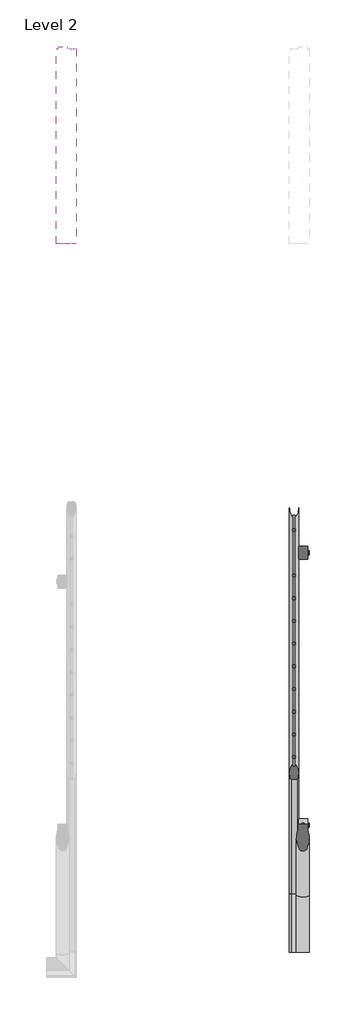
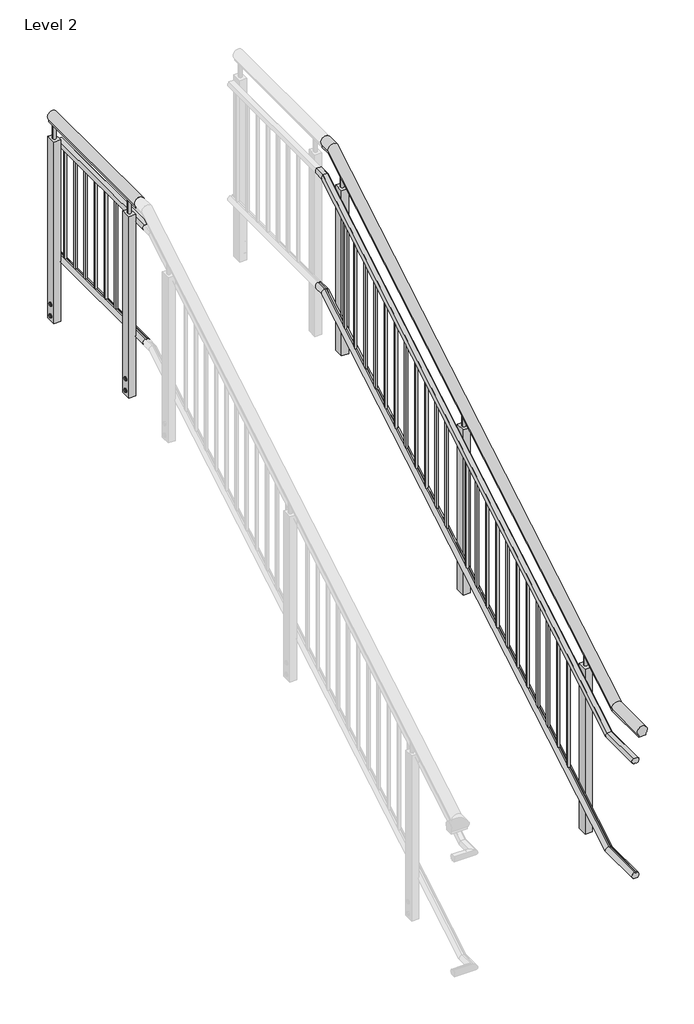
# One storey, part 6 of 7: 2 railings.
"""IFC4 building model written with IfcOpenShell, lengths in millimetres."""

from ifc_helpers import new_model, si_unit, point, frame, frame_2d, origin, place, context, project, spatial, polyline, circle_curve, ellipse_curve, trimmed, segment, composite_curve, outline, extrude, element, save
from ifc_brep_helpers import plane_surface, cylinder_surface, advanced_brep

model = new_model("IFC4")

# Units and contexts
model_context = context("Model", 3, world=origin())
ifc_project = project(units=[si_unit("LENGTHUNIT", "METRE", prefix="MILLI")], contexts=[model_context])

# Site, building, storey
site = spatial("IfcSite", under=ifc_project)
building = spatial("IfcBuilding", under=site)
storey = spatial("IfcBuildingStorey", under=building, Name="Level 2", Elevation=4000.0)

# Railings
placement = place(None, origin())
element("IfcRailing", 1, ObjectType="MT_Common stair with Balustrade_Level 3_Left", at=placement, inside=storey, context=model_context, shape_type="SolidModel", body=[
    advanced_brep(
    [(-7572.7617574, -4818.2332568, 5032.4599864), (-7614.4617574, -4818.2332568, 5032.4599864), (-7614.4617574, -4818.2332568, 5019.6542542), (-7572.7617574, -4818.2332568, 5019.6542542), (-7572.7617574, -4562.3792563, 5032.4599864), (-7614.4617574, -4562.3792563, 5032.4599864), (-7614.4617574, -4558.8717811, 5019.6542542), (-7572.7617574, -4558.8717811, 5019.6542542), (-7572.7617574, -1698.2332568, 6690.8057322), (-7572.7617574, -1698.2332568, 6678.0), (-7614.4617574, -1698.2332568, 6678.0), (-7614.4617574, -1698.2332568, 6690.8057322), (-7614.4617574, -1762.192754, 6690.8057322), (-7572.7617574, -1762.192754, 6690.8057322), (-7614.4617574, -1758.6852788, 6678.0), (-7572.7617574, -1758.6852788, 6678.0)],
    [
        (0, 1, circle_curve(frame((-7593.6117574, -4818.2332568, 5051.6542542), z_axis=(0.0, -1.0, 0.0), x_axis=(-1.0, 0.0, 0.0)), 28.3397674)),
        (1, 2),
        (2, 3),
        (3, 0),
        (0, 4),
        (4, 5, ellipse_curve(frame((-7593.6117574, -4567.6365441, 5051.6542542), z_axis=(0.0, -0.9644764138034779, -0.2641689747430274), x_axis=(0.0, -0.2641689747430278, 0.9644764138034778)), 29.3835775, 28.3397674)),
        (5, 1),
        (5, 6),
        (6, 2),
        (6, 7),
        (7, 3),
        (7, 4),
        (8, 9),
        (9, 10),
        (10, 11),
        (11, 8, circle_curve(frame((-7593.6117574, -1698.2332568, 6710.0), z_axis=(0.0, 1.0, 0.0), x_axis=(-1.0, 0.0, 0.0)), 28.3397674)),
        (12, 13, ellipse_curve(frame((-7593.6117574, -1767.4500418, 6710.0), z_axis=(0.0, 0.9644764138034779, 0.2641689747430274), x_axis=(0.0, -0.2641689747430278, 0.9644764138034778)), 29.3835775, 28.3397674)),
        (13, 8),
        (11, 12),
        (14, 12),
        (10, 14),
        (15, 14),
        (9, 15),
        (13, 15),
        (4, 13),
        (12, 5),
        (14, 6),
        (15, 7),
    ],
    [
        plane_surface(frame((-7593.6117574, -4818.2332568, 5019.6542542), z_axis=(0.0, -1.0, 0.0), x_axis=(0.0, 0.0, 1.0))),
        cylinder_surface(frame((-7593.6117574, -4818.2332568, 5051.6542542), z_axis=(0.0, -1.0, 0.0), x_axis=(-1.0, 0.0, 0.0)), 28.3397674),
        plane_surface(frame((-7614.4617574, -4818.2332568, 5032.4599864), z_axis=(-1.0, 0.0, 0.0), x_axis=(0.0, 1.0, 0.0))),
        plane_surface(frame((-7614.4617574, -4818.2332568, 5019.6542542), z_axis=(0.0, 0.0, -1.0), x_axis=(0.0, 1.0, 0.0))),
        plane_surface(frame((-7572.7617574, -4818.2332568, 5019.6542542), z_axis=(1.0, 0.0, 0.0), x_axis=(0.0, 1.0, 0.0))),
        plane_surface(frame((-7593.6117574, -1698.2332568, 6678.0), z_axis=(0.0, 1.0, 0.0), x_axis=(0.0, 0.0, 1.0))),
        cylinder_surface(frame((-7593.6117574, -1758.6852788, 6710.0), z_axis=(0.0, -1.0, 0.0), x_axis=(-1.0, 0.0, 0.0)), 28.3397674),
        plane_surface(frame((-7614.4617574, -1762.192754, 6690.8057322), z_axis=(-1.0, 0.0, 0.0), x_axis=(0.0, 1.0, 0.0))),
        plane_surface(frame((-7614.4617574, -1758.6852788, 6678.0), z_axis=(0.0, 0.0, -1.0), x_axis=(0.0, 1.0, 0.0))),
        plane_surface(frame((-7572.7617574, -1758.6852788, 6678.0), z_axis=(1.0, 0.0, 0.0), x_axis=(0.0, 1.0, 0.0))),
        cylinder_surface(frame((-7593.6117574, -4575.1780048, 5047.1879984), z_axis=(0.0, -0.8604295055664355, -0.5095694907965933), x_axis=(-1.0, 0.0, 0.0)), 28.3397674),
        plane_surface(frame((-7614.4617574, -4562.3792563, 5032.4599864), z_axis=(-1.0, 0.0, 0.0), x_axis=(0.0, 0.8604295055664356, 0.5095694907965932))),
        plane_surface(frame((-7614.4617574, -4558.8717811, 5019.6542542), z_axis=(0.0, 0.5095694907965932, -0.8604295055664356), x_axis=(0.0, 0.8604295055664356, 0.5095694907965932))),
        plane_surface(frame((-7572.7617574, -4558.8717811, 5019.6542542), z_axis=(1.0, 0.0, 0.0), x_axis=(0.0, 0.8604295055664356, 0.5095694907965932))),
    ],
    [
        (0, [[1, 2, 3, 4]]),
        (1, [[-1, 5, 6, 7]]),
        (2, [[-2, -7, 8, 9]]),
        (3, [[-3, -9, 10, 11]]),
        (4, [[-4, -11, 12, -5]]),
        (5, [[13, 14, 15, 16]]),
        (6, [[17, 18, -16, 19]]),
        (7, [[20, -19, -15, 21]]),
        (8, [[22, -21, -14, 23]]),
        (9, [[24, -23, -13, -18]]),
        (10, [[-6, 25, -17, 26]]),
        (11, [[-8, -26, -20, 27]]),
        (12, [[-10, -27, -22, 28]]),
        (13, [[-12, -28, -24, -25]]),
    ],
),
    advanced_brep(
    [(-7638.8279022, -1698.2332568, 6525.9454038), (-7645.9802814, -1698.2332568, 6560.0), (-7619.5227683, -1698.2332568, 6560.0), (-7627.2453076, -1698.2332568, 6525.7728949), (-7627.2453076, -1698.2332568, 6530.0), (-7638.8279022, -1698.2332568, 6530.0), (-7638.8279022, -1753.4662469, 6525.9454038), (-7645.9802814, -1762.7937614, 6560.0), (-7619.5227683, -1762.7937614, 6560.0), (-7627.2453076, -1753.4189969, 6525.7728949), (-7627.2453076, -1754.5767961, 6530.0), (-7638.8279022, -1754.5767961, 6530.0), (-7638.8279022, -4818.2332568, 4867.599658), (-7638.8279022, -4818.2332568, 4871.6542542), (-7627.2453076, -4818.2332568, 4871.6542542), (-7627.2453076, -4818.2332568, 4867.4271491), (-7619.5227683, -4818.2332568, 4901.6542542), (-7645.9802814, -4818.2332568, 4901.6542542), (-7638.8279022, -4553.6527492, 4867.599658), (-7638.8279022, -4554.7632984, 4871.6542542), (-7627.2453076, -4554.7632984, 4871.6542542), (-7627.2453076, -4553.6054992, 4867.4271491), (-7619.5227683, -4562.9802637, 4901.6542542), (-7645.9802814, -4562.9802637, 4901.6542542)],
    [
        (0, 1, circle_curve(frame((-7632.7515248, -1698.2332568, 6545.0), z_axis=(0.0, 1.0, 0.0), x_axis=(0.0, 0.0, 1.0)), 20.0)),
        (1, 2),
        (2, 3, circle_curve(frame((-7632.7515248, -1698.2332568, 6545.0), z_axis=(0.0, 1.0, 0.0), x_axis=(0.0, 0.0, 1.0)), 20.0)),
        (3, 4),
        (4, 5),
        (5, 0),
        (6, 7, ellipse_curve(frame((-7632.7515248, -1758.6852788, 6545.0), z_axis=(0.0, 0.9644764138034779, 0.26416897474302736), x_axis=(0.0, -0.26416897474302786, 0.9644764138034778)), 20.7366398, 20.0)),
        (7, 1),
        (0, 6),
        (7, 8),
        (8, 2),
        (8, 9, ellipse_curve(frame((-7632.7515248, -1758.6852788, 6545.0), z_axis=(0.0, 0.9644764138034779, 0.26416897474302736), x_axis=(0.0, -0.26416897474302786, 0.9644764138034778)), 20.7366398, 20.0)),
        (9, 3),
        (9, 10),
        (10, 4),
        (10, 11),
        (11, 5),
        (11, 6),
        (12, 13),
        (13, 14),
        (14, 15),
        (15, 16, circle_curve(frame((-7632.7515248, -4818.2332568, 4886.6542542), z_axis=(0.0, -1.0, 0.0), x_axis=(0.0, 0.0, 1.0)), 20.0)),
        (16, 17),
        (17, 12, circle_curve(frame((-7632.7515248, -4818.2332568, 4886.6542542), z_axis=(0.0, -1.0, 0.0), x_axis=(0.0, 0.0, 1.0)), 20.0)),
        (12, 18),
        (18, 19),
        (19, 13),
        (19, 20),
        (20, 14),
        (20, 21),
        (21, 15),
        (21, 22, ellipse_curve(frame((-7632.7515248, -4558.8717811, 4886.6542542), z_axis=(0.0, -0.9644764138034779, -0.26416897474302736), x_axis=(0.0, -0.26416897474302786, 0.9644764138034778)), 20.7366398, 20.0)),
        (22, 16),
        (22, 23),
        (23, 17),
        (23, 18, ellipse_curve(frame((-7632.7515248, -4558.8717811, 4886.6542542), z_axis=(0.0, -0.9644764138034779, -0.26416897474302736), x_axis=(0.0, -0.26416897474302786, 0.9644764138034778)), 20.7366398, 20.0)),
        (18, 6),
        (11, 19),
        (10, 20),
        (9, 21),
        (8, 22),
        (7, 23),
    ],
    [
        plane_surface(frame((-7632.7515248, -1698.2332568, 6545.0), z_axis=(0.0, 1.0, 0.0), x_axis=(0.0, 0.0, 1.0))),
        cylinder_surface(frame((-7632.7515248, -1758.6852788, 6545.0), z_axis=(0.0, -1.0, 0.0), x_axis=(0.0, 0.0, 1.0)), 20.0),
        plane_surface(frame((-7619.5227683, -1762.7937614, 6560.0), z_axis=(0.0, 0.0, 1.0), x_axis=(0.0, 1.0, 0.0))),
        plane_surface(frame((-7627.2453076, -1754.5767961, 6530.0), z_axis=(-1.0, 0.0, 0.0), x_axis=(0.0, 1.0, 0.0))),
        plane_surface(frame((-7638.8279022, -1754.5767961, 6530.0), z_axis=(0.0, 0.0, -1.0), x_axis=(0.0, 1.0, 0.0))),
        plane_surface(frame((-7638.8279022, -1753.4662469, 6525.9454038), z_axis=(1.0, 0.0, 0.0), x_axis=(0.0, 1.0, 0.0))),
        plane_surface(frame((-7632.7515248, -4818.2332568, 4886.6542542), z_axis=(0.0, -1.0, 0.0), x_axis=(0.0, 0.0, 1.0))),
        plane_surface(frame((-7638.8279022, -4818.2332568, 4867.599658), z_axis=(1.0, 0.0, 0.0), x_axis=(0.0, 1.0, 0.0))),
        plane_surface(frame((-7638.8279022, -4818.2332568, 4871.6542542), z_axis=(0.0, 0.0, -1.0), x_axis=(0.0, 1.0, 0.0))),
        plane_surface(frame((-7627.2453076, -4818.2332568, 4871.6542542), z_axis=(-1.0, 0.0, 0.0), x_axis=(0.0, 1.0, 0.0))),
        cylinder_surface(frame((-7632.7515248, -4818.2332568, 4886.6542542), z_axis=(0.0, -1.0, 0.0), x_axis=(0.0, 0.0, 1.0)), 20.0),
        plane_surface(frame((-7619.5227683, -4818.2332568, 4901.6542542), z_axis=(0.0, 0.0, 1.0), x_axis=(0.0, 1.0, 0.0))),
        plane_surface(frame((-7638.8279022, -4553.6527492, 4867.599658), z_axis=(1.0, 0.0, 0.0), x_axis=(0.0, 0.8604295055664356, 0.5095694907965932))),
        plane_surface(frame((-7638.8279022, -4554.7632984, 4871.6542542), z_axis=(0.0, 0.5095694907965932, -0.8604295055664356), x_axis=(0.0, 0.8604295055664356, 0.5095694907965932))),
        plane_surface(frame((-7627.2453076, -4554.7632984, 4871.6542542), z_axis=(-1.0, 0.0, 0.0), x_axis=(0.0, 0.8604295055664356, 0.5095694907965932))),
        cylinder_surface(frame((-7632.7515248, -4558.8717811, 4886.6542542), z_axis=(0.0, -0.8604295055664356, -0.5095694907965933), x_axis=(0.0, -0.5095694907965933, 0.8604295055664356)), 20.0),
        plane_surface(frame((-7619.5227683, -4562.9802637, 4901.6542542), z_axis=(0.0, -0.5095694907965932, 0.8604295055664356), x_axis=(0.0, 0.8604295055664356, 0.5095694907965932))),
    ],
    [
        (0, [[1, 2, 3, 4, 5, 6]]),
        (1, [[7, 8, -1, 9]]),
        (2, [[10, 11, -2, -8]]),
        (1, [[12, 13, -3, -11]]),
        (3, [[14, 15, -4, -13]]),
        (4, [[16, 17, -5, -15]]),
        (5, [[18, -9, -6, -17]]),
        (6, [[19, 20, 21, 22, 23, 24]]),
        (7, [[-19, 25, 26, 27]]),
        (8, [[-20, -27, 28, 29]]),
        (9, [[-21, -29, 30, 31]]),
        (10, [[-22, -31, 32, 33]]),
        (11, [[-23, -33, 34, 35]]),
        (10, [[-24, -35, 36, -25]]),
        (12, [[-26, 37, -18, 38]]),
        (13, [[-28, -38, -16, 39]]),
        (14, [[-30, -39, -14, 40]]),
        (15, [[-32, -40, -12, 41]]),
        (16, [[-34, -41, -10, 42]]),
        (15, [[-36, -42, -7, -37]]),
    ],
),
    advanced_brep(
    [(-7626.6751475, -1698.2332568, 5873.0545962), (-7619.5227683, -1698.2332568, 5839.0), (-7645.9802814, -1698.2332568, 5839.0), (-7638.257742, -1698.2332568, 5873.2271051), (-7638.257742, -1698.2332568, 5869.0), (-7626.6751475, -1698.2332568, 5869.0), (-7626.6751475, -1763.9043107, 5873.0545962), (-7619.5227683, -1754.5767961, 5839.0), (-7645.9802814, -1754.5767961, 5839.0), (-7638.257742, -1763.9515607, 5873.2271051), (-7638.257742, -1762.7937614, 5869.0), (-7626.6751475, -1762.7937614, 5869.0), (-7626.6751475, -4818.2332568, 4214.7088504), (-7626.6751475, -4818.2332568, 4210.6542542), (-7638.257742, -4818.2332568, 4210.6542542), (-7638.257742, -4818.2332568, 4214.8813593), (-7645.9802814, -4818.2332568, 4180.6542542), (-7619.5227683, -4818.2332568, 4180.6542542), (-7626.6751475, -4564.090813, 4214.7088504), (-7626.6751475, -4562.9802637, 4210.6542542), (-7638.257742, -4562.9802637, 4210.6542542), (-7638.257742, -4564.138063, 4214.8813593), (-7645.9802814, -4554.7632984, 4180.6542542), (-7619.5227683, -4554.7632984, 4180.6542542)],
    [
        (0, 1, circle_curve(frame((-7632.7515248, -1698.2332568, 5854.0), z_axis=(0.0, 1.0, 0.0), x_axis=(0.0, 0.0, -1.0)), 20.0)),
        (1, 2),
        (2, 3, circle_curve(frame((-7632.7515248, -1698.2332568, 5854.0), z_axis=(0.0, 1.0, 0.0), x_axis=(0.0, 0.0, -1.0)), 20.0)),
        (3, 4),
        (4, 5),
        (5, 0),
        (6, 7, ellipse_curve(frame((-7632.7515248, -1758.6852788, 5854.0), z_axis=(0.0, 0.964476413803478, 0.26416897474302725), x_axis=(0.0, -0.26416897474302714, 0.964476413803478)), 20.7366398, 20.0)),
        (7, 1),
        (0, 6),
        (7, 8),
        (8, 2),
        (8, 9, ellipse_curve(frame((-7632.7515248, -1758.6852788, 5854.0), z_axis=(0.0, 0.964476413803478, 0.26416897474302725), x_axis=(0.0, -0.26416897474302714, 0.964476413803478)), 20.7366398, 20.0)),
        (9, 3),
        (9, 10),
        (10, 4),
        (10, 11),
        (11, 5),
        (11, 6),
        (12, 13),
        (13, 14),
        (14, 15),
        (15, 16, circle_curve(frame((-7632.7515248, -4818.2332568, 4195.6542542), z_axis=(0.0, -1.0, 0.0), x_axis=(0.0, 0.0, -1.0)), 20.0)),
        (16, 17),
        (17, 12, circle_curve(frame((-7632.7515248, -4818.2332568, 4195.6542542), z_axis=(0.0, -1.0, 0.0), x_axis=(0.0, 0.0, -1.0)), 20.0)),
        (12, 18),
        (18, 19),
        (19, 13),
        (19, 20),
        (20, 14),
        (20, 21),
        (21, 15),
        (21, 22, ellipse_curve(frame((-7632.7515248, -4558.8717811, 4195.6542542), z_axis=(0.0, -0.964476413803478, -0.26416897474302725), x_axis=(0.0, -0.26416897474302714, 0.964476413803478)), 20.7366398, 20.0)),
        (22, 16),
        (22, 23),
        (23, 17),
        (23, 18, ellipse_curve(frame((-7632.7515248, -4558.8717811, 4195.6542542), z_axis=(0.0, -0.964476413803478, -0.26416897474302725), x_axis=(0.0, -0.26416897474302714, 0.964476413803478)), 20.7366398, 20.0)),
        (18, 6),
        (11, 19),
        (10, 20),
        (9, 21),
        (8, 22),
        (7, 23),
    ],
    [
        plane_surface(frame((-7632.7515248, -1698.2332568, 5854.0), z_axis=(0.0, 1.0, 0.0), x_axis=(0.0, 0.0, 1.0))),
        cylinder_surface(frame((-7632.7515248, -1758.6852788, 5854.0), z_axis=(0.0, -1.0, 0.0), x_axis=(0.0, 0.0, -1.0)), 20.0),
        plane_surface(frame((-7645.9802814, -1754.5767961, 5839.0), z_axis=(0.0, 0.0, -1.0), x_axis=(0.0, 1.0, 0.0))),
        plane_surface(frame((-7638.257742, -1762.7937614, 5869.0), z_axis=(1.0, 0.0, 0.0), x_axis=(0.0, 1.0, 0.0))),
        plane_surface(frame((-7626.6751475, -1762.7937614, 5869.0), z_axis=(0.0, 0.0, 1.0), x_axis=(0.0, 1.0, 0.0))),
        plane_surface(frame((-7626.6751475, -1763.9043107, 5873.0545962), z_axis=(-1.0, 0.0, 0.0), x_axis=(0.0, 1.0, 0.0))),
        plane_surface(frame((-7632.7515248, -4818.2332568, 4195.6542542), z_axis=(0.0, -1.0, 0.0), x_axis=(0.0, 0.0, 1.0))),
        plane_surface(frame((-7626.6751475, -4818.2332568, 4214.7088504), z_axis=(-1.0, 0.0, 0.0), x_axis=(0.0, 1.0, 0.0))),
        plane_surface(frame((-7626.6751475, -4818.2332568, 4210.6542542), z_axis=(0.0, 0.0, 1.0), x_axis=(0.0, 1.0, 0.0))),
        plane_surface(frame((-7638.257742, -4818.2332568, 4210.6542542), z_axis=(1.0, 0.0, 0.0), x_axis=(0.0, 1.0, 0.0))),
        cylinder_surface(frame((-7632.7515248, -4818.2332568, 4195.6542542), z_axis=(0.0, -1.0, 0.0), x_axis=(0.0, 0.0, -1.0)), 20.0),
        plane_surface(frame((-7645.9802814, -4818.2332568, 4180.6542542), z_axis=(0.0, 0.0, -1.0), x_axis=(0.0, 1.0, 0.0))),
        plane_surface(frame((-7626.6751475, -4564.090813, 4214.7088504), z_axis=(-1.0, 0.0, 0.0), x_axis=(0.0, 0.8604295055664357, 0.5095694907965929))),
        plane_surface(frame((-7626.6751475, -4562.9802637, 4210.6542542), z_axis=(0.0, -0.509569490796593, 0.8604295055664357), x_axis=(0.0, 0.8604295055664357, 0.509569490796593))),
        plane_surface(frame((-7638.257742, -4562.9802637, 4210.6542542), z_axis=(1.0, 0.0, 0.0), x_axis=(0.0, 0.8604295055664357, 0.5095694907965929))),
        cylinder_surface(frame((-7632.7515248, -4558.8717811, 4195.6542542), z_axis=(0.0, -0.8604295055664357, -0.509569490796593), x_axis=(0.0, 0.509569490796593, -0.8604295055664357)), 20.0),
        plane_surface(frame((-7645.9802814, -4554.7632984, 4180.6542542), z_axis=(0.0, 0.5095694907965929, -0.8604295055664357), x_axis=(0.0, 0.8604295055664357, 0.5095694907965929))),
    ],
    [
        (0, [[1, 2, 3, 4, 5, 6]]),
        (1, [[7, 8, -1, 9]]),
        (2, [[10, 11, -2, -8]]),
        (1, [[12, 13, -3, -11]]),
        (3, [[14, 15, -4, -13]]),
        (4, [[16, 17, -5, -15]]),
        (5, [[18, -9, -6, -17]]),
        (6, [[19, 20, 21, 22, 23, 24]]),
        (7, [[-19, 25, 26, 27]]),
        (8, [[-20, -27, 28, 29]]),
        (9, [[-21, -29, 30, 31]]),
        (10, [[-22, -31, 32, 33]]),
        (11, [[-23, -33, 34, 35]]),
        (10, [[-24, -35, 36, -25]]),
        (12, [[-26, 37, -18, 38]]),
        (13, [[-28, -38, -16, 39]]),
        (14, [[-30, -39, -14, 40]]),
        (15, [[-32, -40, -12, 41]]),
        (16, [[-34, -41, -10, 42]]),
        (15, [[-36, -42, -7, -37]]),
    ],
),
    extrude(outline(polyline([(-1858.7785299, 5577.0464014), (-1848.7785299, 5571.2728987), (-1848.7785299, 5559.7258933), (-1858.7785299, 5553.9523906), (-1868.7785299, 5559.7258933), (-1868.7785299, 5571.2728987), (-1858.7785299, 5577.0464014)])), frame((-7572.7515248, 0.0, 0.0), z_axis=(1.0, 0.0, 0.0), x_axis=(0.0, 1.0, 0.0)), (0.0, 0.0, 1.0), 4.0),
    extrude(outline(polyline([(-1858.7785299, 5647.0464014), (-1848.7785299, 5641.2728987), (-1848.7785299, 5629.7258933), (-1858.7785299, 5623.9523906), (-1868.7785299, 5629.7258933), (-1868.7785299, 5641.2728987), (-1858.7785299, 5647.0464014)])), frame((-7572.7515248, 0.0, 0.0), z_axis=(1.0, 0.0, 0.0), x_axis=(0.0, 1.0, 0.0)), (0.0, 0.0, 1.0), 4.0),
    extrude(outline(composite_curve([segment(trimmed(circle_curve(frame_2d((-1858.7785299, 5565.499396)), 8.0), [point((-1866.7785299, 5565.499396))], [point((-1850.7785299, 5565.499396))], False, "CARTESIAN"), True, "CONTINUOUS"), segment(trimmed(circle_curve(frame_2d((-1858.7785299, 5565.499396)), 8.0), [point((-1850.7785299, 5565.499396))], [point((-1866.7785299, 5565.499396))], False, "CARTESIAN"), True, "CONTINUOUS")], self_intersect=False)), frame((-7572.7515248, 0.0, 0.0), z_axis=(1.0, 0.0, 0.0), x_axis=(0.0, 1.0, 0.0)), (0.0, 0.0, 1.0), 6.0),
    extrude(outline(composite_curve([segment(trimmed(circle_curve(frame_2d((-1858.7785299, 5635.499396)), 8.0), [point((-1866.7785299, 5635.499396))], [point((-1850.7785299, 5635.499396))], False, "CARTESIAN"), True, "CONTINUOUS"), segment(trimmed(circle_curve(frame_2d((-1858.7785299, 5635.499396)), 8.0), [point((-1850.7785299, 5635.499396))], [point((-1866.7785299, 5635.499396))], False, "CARTESIAN"), True, "CONTINUOUS")], self_intersect=False)), frame((-7572.7515248, 0.0, 0.0), z_axis=(1.0, 0.0, 0.0), x_axis=(0.0, 1.0, 0.0)), (0.0, 0.0, 1.0), 6.0),
    extrude(outline(composite_curve([segment(trimmed(circle_curve(frame_2d((-7592.7515248, -1858.7785299)), 10.0), [point((-7582.7515248, -1858.7785299))], [point((-7602.7515248, -1858.7785299))], False, "CARTESIAN"), True, "CONTINUOUS"), segment(trimmed(circle_curve(frame_2d((-7592.7515248, -1858.7785299)), 10.0), [point((-7602.7515248, -1858.7785299))], [point((-7582.7515248, -1858.7785299))], False, "CARTESIAN"), True, "CONTINUOUS")], self_intersect=False)), frame((0.0, 0.0, 6529.499396), z_axis=(0.0, 0.0, 1.0), x_axis=(1.0, 0.0, 0.0)), (0.0, 0.0, 1.0), 100.0),
    extrude(outline(polyline([(-7612.7515248, -1887.7785299), (-7612.7515248, -1829.7785299), (-7572.7515248, -1829.7785299), (-7572.7515248, -1887.7785299), (-7612.7515248, -1887.7785299)])), frame((0.0, 0.0, 5535.499396), z_axis=(0.0, 0.0, 1.0), x_axis=(1.0, 0.0, 0.0)), (0.0, 0.0, 1.0), 994.0),
    extrude(outline(polyline([(-7638.7515248, -1964.7785299), (-7638.7515248, -1952.7785299), (-7626.7515248, -1952.7785299), (-7626.7515248, -1964.7785299), (-7638.7515248, -1964.7785299)])), frame((0.0, 0.0, 5746.2767069), z_axis=(0.0, 0.0, 1.0), x_axis=(1.0, 0.0, 0.0)), (0.0, 0.0, 1.0), 671.0),
    extrude(outline(polyline([(-7638.7515248, -2064.7785299), (-7638.7515248, -2052.7785299), (-7626.7515248, -2052.7785299), (-7626.7515248, -2064.7785299), (-7638.7515248, -2064.7785299)])), frame((0.0, 0.0, 5687.0540179), z_axis=(0.0, 0.0, 1.0), x_axis=(1.0, 0.0, 0.0)), (0.0, 0.0, 1.0), 671.0),
    extrude(outline(polyline([(-7638.7515248, -2164.7785299), (-7638.7515248, -2152.7785299), (-7626.7515248, -2152.7785299), (-7626.7515248, -2164.7785299), (-7638.7515248, -2164.7785299)])), frame((0.0, 0.0, 5627.8313288), z_axis=(0.0, 0.0, 1.0), x_axis=(1.0, 0.0, 0.0)), (0.0, 0.0, 1.0), 671.0),
    extrude(outline(polyline([(-7638.7515248, -2264.7785299), (-7638.7515248, -2252.7785299), (-7626.7515248, -2252.7785299), (-7626.7515248, -2264.7785299), (-7638.7515248, -2264.7785299)])), frame((0.0, 0.0, 5568.6086397), z_axis=(0.0, 0.0, 1.0), x_axis=(1.0, 0.0, 0.0)), (0.0, 0.0, 1.0), 671.0),
    extrude(outline(polyline([(-7638.7515248, -2364.7785299), (-7638.7515248, -2352.7785299), (-7626.7515248, -2352.7785299), (-7626.7515248, -2364.7785299), (-7638.7515248, -2364.7785299)])), frame((0.0, 0.0, 5509.3859506), z_axis=(0.0, 0.0, 1.0), x_axis=(1.0, 0.0, 0.0)), (0.0, 0.0, 1.0), 671.0),
    extrude(outline(polyline([(-7638.7515248, -2464.7785299), (-7638.7515248, -2452.7785299), (-7626.7515248, -2452.7785299), (-7626.7515248, -2464.7785299), (-7638.7515248, -2464.7785299)])), frame((0.0, 0.0, 5450.1632616), z_axis=(0.0, 0.0, 1.0), x_axis=(1.0, 0.0, 0.0)), (0.0, 0.0, 1.0), 671.0),
    extrude(outline(polyline([(-7638.7515248, -2564.7785299), (-7638.7515248, -2552.7785299), (-7626.7515248, -2552.7785299), (-7626.7515248, -2564.7785299), (-7638.7515248, -2564.7785299)])), frame((0.0, 0.0, 5390.9405725), z_axis=(0.0, 0.0, 1.0), x_axis=(1.0, 0.0, 0.0)), (0.0, 0.0, 1.0), 671.0),
    extrude(outline(polyline([(-7638.7515248, -2664.7785299), (-7638.7515248, -2652.7785299), (-7626.7515248, -2652.7785299), (-7626.7515248, -2664.7785299), (-7638.7515248, -2664.7785299)])), frame((0.0, 0.0, 5331.7178834), z_axis=(0.0, 0.0, 1.0), x_axis=(1.0, 0.0, 0.0)), (0.0, 0.0, 1.0), 671.0),
    extrude(outline(polyline([(-7638.7515248, -2764.7785299), (-7638.7515248, -2752.7785299), (-7626.7515248, -2752.7785299), (-7626.7515248, -2764.7785299), (-7638.7515248, -2764.7785299)])), frame((0.0, 0.0, 5272.4951943), z_axis=(0.0, 0.0, 1.0), x_axis=(1.0, 0.0, 0.0)), (0.0, 0.0, 1.0), 671.0),
    extrude(outline(polyline([(-7638.7515248, -2864.7785299), (-7638.7515248, -2852.7785299), (-7626.7515248, -2852.7785299), (-7626.7515248, -2864.7785299), (-7638.7515248, -2864.7785299)])), frame((0.0, 0.0, 5213.2725053), z_axis=(0.0, 0.0, 1.0), x_axis=(1.0, 0.0, 0.0)), (0.0, 0.0, 1.0), 671.0),
    extrude(outline(polyline([(-7638.7515248, -2964.7785299), (-7638.7515248, -2952.7785299), (-7626.7515248, -2952.7785299), (-7626.7515248, -2964.7785299), (-7638.7515248, -2964.7785299)])), frame((0.0, 0.0, 5154.0498162), z_axis=(0.0, 0.0, 1.0), x_axis=(1.0, 0.0, 0.0)), (0.0, 0.0, 1.0), 671.0),
    extrude(outline(polyline([(-3058.7785299, 4866.3741325), (-3048.7785299, 4860.6006298), (-3048.7785299, 4849.0536244), (-3058.7785299, 4843.2801217), (-3068.7785299, 4849.0536244), (-3068.7785299, 4860.6006298), (-3058.7785299, 4866.3741325)])), frame((-7572.7515248, 0.0, 0.0), z_axis=(1.0, 0.0, 0.0), x_axis=(0.0, 1.0, 0.0)), (0.0, 0.0, 1.0), 4.0),
    extrude(outline(polyline([(-3058.7785299, 4936.3741325), (-3048.7785299, 4930.6006298), (-3048.7785299, 4919.0536244), (-3058.7785299, 4913.2801217), (-3068.7785299, 4919.0536244), (-3068.7785299, 4930.6006298), (-3058.7785299, 4936.3741325)])), frame((-7572.7515248, 0.0, 0.0), z_axis=(1.0, 0.0, 0.0), x_axis=(0.0, 1.0, 0.0)), (0.0, 0.0, 1.0), 4.0),
    extrude(outline(composite_curve([segment(trimmed(circle_curve(frame_2d((-3058.7785299, 4854.8271271)), 8.0), [point((-3066.7785299, 4854.8271271))], [point((-3050.7785299, 4854.8271271))], False, "CARTESIAN"), True, "CONTINUOUS"), segment(trimmed(circle_curve(frame_2d((-3058.7785299, 4854.8271271)), 8.0), [point((-3050.7785299, 4854.8271271))], [point((-3066.7785299, 4854.8271271))], False, "CARTESIAN"), True, "CONTINUOUS")], self_intersect=False)), frame((-7572.7515248, 0.0, 0.0), z_axis=(1.0, 0.0, 0.0), x_axis=(0.0, 1.0, 0.0)), (0.0, 0.0, 1.0), 6.0),
    extrude(outline(composite_curve([segment(trimmed(circle_curve(frame_2d((-3058.7785299, 4924.8271271)), 8.0), [point((-3066.7785299, 4924.8271271))], [point((-3050.7785299, 4924.8271271))], False, "CARTESIAN"), True, "CONTINUOUS"), segment(trimmed(circle_curve(frame_2d((-3058.7785299, 4924.8271271)), 8.0), [point((-3050.7785299, 4924.8271271))], [point((-3066.7785299, 4924.8271271))], False, "CARTESIAN"), True, "CONTINUOUS")], self_intersect=False)), frame((-7572.7515248, 0.0, 0.0), z_axis=(1.0, 0.0, 0.0), x_axis=(0.0, 1.0, 0.0)), (0.0, 0.0, 1.0), 6.0),
    extrude(outline(composite_curve([segment(trimmed(circle_curve(frame_2d((-7592.7515248, -3058.7785299)), 10.0), [point((-7582.7515248, -3058.7785299))], [point((-7602.7515248, -3058.7785299))], False, "CARTESIAN"), True, "CONTINUOUS"), segment(trimmed(circle_curve(frame_2d((-7592.7515248, -3058.7785299)), 10.0), [point((-7602.7515248, -3058.7785299))], [point((-7582.7515248, -3058.7785299))], False, "CARTESIAN"), True, "CONTINUOUS")], self_intersect=False)), frame((0.0, 0.0, 5818.8271271), z_axis=(0.0, 0.0, 1.0), x_axis=(1.0, 0.0, 0.0)), (0.0, 0.0, 1.0), 100.0),
    extrude(outline(polyline([(-7612.7515248, -3087.7785299), (-7612.7515248, -3029.7785299), (-7572.7515248, -3029.7785299), (-7572.7515248, -3087.7785299), (-7612.7515248, -3087.7785299)])), frame((0.0, 0.0, 4824.8271271), z_axis=(0.0, 0.0, 1.0), x_axis=(1.0, 0.0, 0.0)), (0.0, 0.0, 1.0), 994.0),
    extrude(outline(polyline([(-7638.7515248, -3164.7785299), (-7638.7515248, -3152.7785299), (-7626.7515248, -3152.7785299), (-7626.7515248, -3164.7785299), (-7638.7515248, -3164.7785299)])), frame((0.0, 0.0, 5035.604438), z_axis=(0.0, 0.0, 1.0), x_axis=(1.0, 0.0, 0.0)), (0.0, 0.0, 1.0), 671.0),
    extrude(outline(polyline([(-7638.7515248, -3264.7785299), (-7638.7515248, -3252.7785299), (-7626.7515248, -3252.7785299), (-7626.7515248, -3264.7785299), (-7638.7515248, -3264.7785299)])), frame((0.0, 0.0, 4976.3817489), z_axis=(0.0, 0.0, 1.0), x_axis=(1.0, 0.0, 0.0)), (0.0, 0.0, 1.0), 671.0),
    extrude(outline(polyline([(-7638.7515248, -3364.7785299), (-7638.7515248, -3352.7785299), (-7626.7515248, -3352.7785299), (-7626.7515248, -3364.7785299), (-7638.7515248, -3364.7785299)])), frame((0.0, 0.0, 4917.1590599), z_axis=(0.0, 0.0, 1.0), x_axis=(1.0, 0.0, 0.0)), (0.0, 0.0, 1.0), 671.0),
    extrude(outline(polyline([(-7638.7515248, -3464.7785299), (-7638.7515248, -3452.7785299), (-7626.7515248, -3452.7785299), (-7626.7515248, -3464.7785299), (-7638.7515248, -3464.7785299)])), frame((0.0, 0.0, 4857.9363708), z_axis=(0.0, 0.0, 1.0), x_axis=(1.0, 0.0, 0.0)), (0.0, 0.0, 1.0), 671.0),
    extrude(outline(polyline([(-7638.7515248, -3564.7785299), (-7638.7515248, -3552.7785299), (-7626.7515248, -3552.7785299), (-7626.7515248, -3564.7785299), (-7638.7515248, -3564.7785299)])), frame((0.0, 0.0, 4798.7136817), z_axis=(0.0, 0.0, 1.0), x_axis=(1.0, 0.0, 0.0)), (0.0, 0.0, 1.0), 671.0),
    extrude(outline(polyline([(-7638.7515248, -3664.7785299), (-7638.7515248, -3652.7785299), (-7626.7515248, -3652.7785299), (-7626.7515248, -3664.7785299), (-7638.7515248, -3664.7785299)])), frame((0.0, 0.0, 4739.4909926), z_axis=(0.0, 0.0, 1.0), x_axis=(1.0, 0.0, 0.0)), (0.0, 0.0, 1.0), 671.0),
    extrude(outline(polyline([(-7638.7515248, -3764.7785299), (-7638.7515248, -3752.7785299), (-7626.7515248, -3752.7785299), (-7626.7515248, -3764.7785299), (-7638.7515248, -3764.7785299)])), frame((0.0, 0.0, 4680.2683036), z_axis=(0.0, 0.0, 1.0), x_axis=(1.0, 0.0, 0.0)), (0.0, 0.0, 1.0), 671.0),
    extrude(outline(polyline([(-7638.7515248, -3864.7785299), (-7638.7515248, -3852.7785299), (-7626.7515248, -3852.7785299), (-7626.7515248, -3864.7785299), (-7638.7515248, -3864.7785299)])), frame((0.0, 0.0, 4621.0456145), z_axis=(0.0, 0.0, 1.0), x_axis=(1.0, 0.0, 0.0)), (0.0, 0.0, 1.0), 671.0),
    extrude(outline(polyline([(-7638.7515248, -3964.7785299), (-7638.7515248, -3952.7785299), (-7626.7515248, -3952.7785299), (-7626.7515248, -3964.7785299), (-7638.7515248, -3964.7785299)])), frame((0.0, 0.0, 4561.8229254), z_axis=(0.0, 0.0, 1.0), x_axis=(1.0, 0.0, 0.0)), (0.0, 0.0, 1.0), 671.0),
    extrude(outline(polyline([(-7638.7515248, -4064.7785299), (-7638.7515248, -4052.7785299), (-7626.7515248, -4052.7785299), (-7626.7515248, -4064.7785299), (-7638.7515248, -4064.7785299)])), frame((0.0, 0.0, 4502.6002363), z_axis=(0.0, 0.0, 1.0), x_axis=(1.0, 0.0, 0.0)), (0.0, 0.0, 1.0), 671.0),
    extrude(outline(polyline([(-7638.7515248, -4164.7785299), (-7638.7515248, -4152.7785299), (-7626.7515248, -4152.7785299), (-7626.7515248, -4164.7785299), (-7638.7515248, -4164.7785299)])), frame((0.0, 0.0, 4443.3775473), z_axis=(0.0, 0.0, 1.0), x_axis=(1.0, 0.0, 0.0)), (0.0, 0.0, 1.0), 671.0),
    extrude(outline(polyline([(-4258.7785299, 4155.7018636), (-4248.7785299, 4149.9283609), (-4248.7785299, 4138.3813555), (-4258.7785299, 4132.6078528), (-4268.7785299, 4138.3813555), (-4268.7785299, 4149.9283609), (-4258.7785299, 4155.7018636)])), frame((-7572.7515248, 0.0, 0.0), z_axis=(1.0, 0.0, 0.0), x_axis=(0.0, 1.0, 0.0)), (0.0, 0.0, 1.0), 4.0),
    extrude(outline(polyline([(-4258.7785299, 4225.7018636), (-4248.7785299, 4219.9283609), (-4248.7785299, 4208.3813555), (-4258.7785299, 4202.6078528), (-4268.7785299, 4208.3813555), (-4268.7785299, 4219.9283609), (-4258.7785299, 4225.7018636)])), frame((-7572.7515248, 0.0, 0.0), z_axis=(1.0, 0.0, 0.0), x_axis=(0.0, 1.0, 0.0)), (0.0, 0.0, 1.0), 4.0),
    extrude(outline(composite_curve([segment(trimmed(circle_curve(frame_2d((-4258.7785299, 4144.1548582)), 8.0), [point((-4266.7785299, 4144.1548582))], [point((-4250.7785299, 4144.1548582))], False, "CARTESIAN"), True, "CONTINUOUS"), segment(trimmed(circle_curve(frame_2d((-4258.7785299, 4144.1548582)), 8.0), [point((-4250.7785299, 4144.1548582))], [point((-4266.7785299, 4144.1548582))], False, "CARTESIAN"), True, "CONTINUOUS")], self_intersect=False)), frame((-7572.7515248, 0.0, 0.0), z_axis=(1.0, 0.0, 0.0), x_axis=(0.0, 1.0, 0.0)), (0.0, 0.0, 1.0), 6.0),
    extrude(outline(composite_curve([segment(trimmed(circle_curve(frame_2d((-4258.7785299, 4214.1548582)), 8.0), [point((-4266.7785299, 4214.1548582))], [point((-4250.7785299, 4214.1548582))], False, "CARTESIAN"), True, "CONTINUOUS"), segment(trimmed(circle_curve(frame_2d((-4258.7785299, 4214.1548582)), 8.0), [point((-4250.7785299, 4214.1548582))], [point((-4266.7785299, 4214.1548582))], False, "CARTESIAN"), True, "CONTINUOUS")], self_intersect=False)), frame((-7572.7515248, 0.0, 0.0), z_axis=(1.0, 0.0, 0.0), x_axis=(0.0, 1.0, 0.0)), (0.0, 0.0, 1.0), 6.0),
    extrude(outline(composite_curve([segment(trimmed(circle_curve(frame_2d((-7592.7515248, -4258.7785299)), 10.0), [point((-7582.7515248, -4258.7785299))], [point((-7602.7515248, -4258.7785299))], False, "CARTESIAN"), True, "CONTINUOUS"), segment(trimmed(circle_curve(frame_2d((-7592.7515248, -4258.7785299)), 10.0), [point((-7602.7515248, -4258.7785299))], [point((-7582.7515248, -4258.7785299))], False, "CARTESIAN"), True, "CONTINUOUS")], self_intersect=False)), frame((0.0, 0.0, 5108.1548582), z_axis=(0.0, 0.0, 1.0), x_axis=(1.0, 0.0, 0.0)), (0.0, 0.0, 1.0), 100.0),
    extrude(outline(polyline([(-7612.7515248, -4287.7785299), (-7612.7515248, -4229.7785299), (-7572.7515248, -4229.7785299), (-7572.7515248, -4287.7785299), (-7612.7515248, -4287.7785299)])), frame((0.0, 0.0, 4114.1548582), z_axis=(0.0, 0.0, 1.0), x_axis=(1.0, 0.0, 0.0)), (0.0, 0.0, 1.0), 994.0),
])
element("IfcRailing", 2, ObjectType="MT_Common stair with Balustrade_Level 4", at=placement, inside=storey, context=model_context, shape_type="SweptSolid", body=[
    extrude(outline(composite_curve([segment(trimmed(circle_curve(frame_2d((6710.0, -8651.0912923)), 28.3397674), [point((6690.8057322, -8630.2412923))], [point((6690.8057322, -8671.9412923))], False, "CARTESIAN"), True, "CONTINUOUS"), segment(polyline([(6690.8057322, -8671.9412923), (6678.0, -8671.9412923), (6678.0, -8630.2412923), (6690.8057322, -8630.2412923)]), True, "CONTINUOUS")], self_intersect=False)), frame((0.0, -1697.2332568, 0.0), z_axis=(0.0, 1.0, 0.0), x_axis=(0.0, 0.0, 1.0)), (0.0, 0.0, 1.0), 859.0),
    extrude(outline(composite_curve([segment(trimmed(circle_curve(frame_2d((6545.0, -8611.9515248)), 20.0), [point((6525.9454038, -8605.8751475))], [point((6560.0, -8598.7227683))], False, "CARTESIAN"), True, "CONTINUOUS"), segment(polyline([(6560.0, -8598.7227683), (6560.0, -8625.1802814)]), True, "CONTINUOUS"), segment(trimmed(circle_curve(frame_2d((6545.0, -8611.9515248)), 20.0), [point((6560.0, -8625.1802814))], [point((6525.7728949, -8617.457742))], False, "CARTESIAN"), True, "CONTINUOUS"), segment(polyline([(6525.7728949, -8617.457742), (6530.0, -8617.457742), (6530.0, -8605.8751475), (6525.9454038, -8605.8751475)]), True, "CONTINUOUS")], self_intersect=False)), frame((0.0, -1697.2332568, 0.0), z_axis=(0.0, 1.0, 0.0), x_axis=(0.0, 0.0, 1.0)), (0.0, 0.0, 1.0), 859.0),
    extrude(outline(composite_curve([segment(trimmed(circle_curve(frame_2d((5854.2, -8611.9515248)), 20.0), [point((5873.2545962, -8618.0279022))], [point((5839.2, -8625.1802814))], False, "CARTESIAN"), True, "CONTINUOUS"), segment(polyline([(5839.2, -8625.1802814), (5839.2, -8598.7227683)]), True, "CONTINUOUS"), segment(trimmed(circle_curve(frame_2d((5854.2, -8611.9515248)), 20.0), [point((5839.2, -8598.7227683))], [point((5873.4271051, -8606.4453076))], False, "CARTESIAN"), True, "CONTINUOUS"), segment(polyline([(5873.4271051, -8606.4453076), (5869.2, -8606.4453076), (5869.2, -8618.0279022), (5873.2545962, -8618.0279022)]), True, "CONTINUOUS")], self_intersect=False)), frame((0.0, -1697.2332568, 0.0), z_axis=(0.0, 1.0, 0.0), x_axis=(0.0, 0.0, 1.0)), (0.0, 0.0, 1.0), 859.0),
    extrude(outline(polyline([(-8605.9515248, -903.2332568), (-8617.9515248, -903.2332568), (-8617.9515248, -891.2332568), (-8605.9515248, -891.2332568), (-8605.9515248, -903.2332568)])), frame((0.0, 0.0, 5873.4271051), z_axis=(0.0, 0.0, 1.0), x_axis=(1.0, 0.0, 0.0)), (0.0, 0.0, 1.0), 656.5728949),
    extrude(outline(polyline([(-8605.9515248, -1003.2332568), (-8617.9515248, -1003.2332568), (-8617.9515248, -991.2332568), (-8605.9515248, -991.2332568), (-8605.9515248, -1003.2332568)])), frame((0.0, 0.0, 5873.4271051), z_axis=(0.0, 0.0, 1.0), x_axis=(1.0, 0.0, 0.0)), (0.0, 0.0, 1.0), 656.5728949),
    extrude(outline(polyline([(-8605.9515248, -1103.2332568), (-8617.9515248, -1103.2332568), (-8617.9515248, -1091.2332568), (-8605.9515248, -1091.2332568), (-8605.9515248, -1103.2332568)])), frame((0.0, 0.0, 5873.4271051), z_axis=(0.0, 0.0, 1.0), x_axis=(1.0, 0.0, 0.0)), (0.0, 0.0, 1.0), 656.5728949),
    extrude(outline(polyline([(-8605.9515248, -1203.2332568), (-8617.9515248, -1203.2332568), (-8617.9515248, -1191.2332568), (-8605.9515248, -1191.2332568), (-8605.9515248, -1203.2332568)])), frame((0.0, 0.0, 5873.4271051), z_axis=(0.0, 0.0, 1.0), x_axis=(1.0, 0.0, 0.0)), (0.0, 0.0, 1.0), 656.5728949),
    extrude(outline(polyline([(-8605.9515248, -1303.2332568), (-8617.9515248, -1303.2332568), (-8617.9515248, -1291.2332568), (-8605.9515248, -1291.2332568), (-8605.9515248, -1303.2332568)])), frame((0.0, 0.0, 5873.4271051), z_axis=(0.0, 0.0, 1.0), x_axis=(1.0, 0.0, 0.0)), (0.0, 0.0, 1.0), 656.5728949),
    extrude(outline(polyline([(-8605.9515248, -1403.2332568), (-8617.9515248, -1403.2332568), (-8617.9515248, -1391.2332568), (-8605.9515248, -1391.2332568), (-8605.9515248, -1403.2332568)])), frame((0.0, 0.0, 5873.4271051), z_axis=(0.0, 0.0, 1.0), x_axis=(1.0, 0.0, 0.0)), (0.0, 0.0, 1.0), 656.5728949),
    extrude(outline(polyline([(-8605.9515248, -1503.2332568), (-8617.9515248, -1503.2332568), (-8617.9515248, -1491.2332568), (-8605.9515248, -1491.2332568), (-8605.9515248, -1503.2332568)])), frame((0.0, 0.0, 5873.4271051), z_axis=(0.0, 0.0, 1.0), x_axis=(1.0, 0.0, 0.0)), (0.0, 0.0, 1.0), 656.5728949),
    extrude(outline(polyline([(-858.2332568, 5535.7470054), (-848.2332568, 5529.9735027), (-848.2332568, 5518.4264973), (-858.2332568, 5512.6529946), (-868.2332568, 5518.4264973), (-868.2332568, 5529.9735027), (-858.2332568, 5535.7470054)])), frame((-8675.9515248, 0.0, 0.0), z_axis=(1.0, 0.0, 0.0), x_axis=(0.0, 1.0, 0.0)), (0.0, 0.0, 1.0), 4.0),
    extrude(outline(polyline([(-858.2332568, 5605.7470054), (-848.2332568, 5599.9735027), (-848.2332568, 5588.4264973), (-858.2332568, 5582.6529946), (-868.2332568, 5588.4264973), (-868.2332568, 5599.9735027), (-858.2332568, 5605.7470054)])), frame((-8675.9515248, 0.0, 0.0), z_axis=(1.0, 0.0, 0.0), x_axis=(0.0, 1.0, 0.0)), (0.0, 0.0, 1.0), 4.0),
    extrude(outline(composite_curve([segment(trimmed(circle_curve(frame_2d((-858.2332568, 5524.2)), 8.0), [point((-866.2332568, 5524.2))], [point((-850.2332568, 5524.2))], False, "CARTESIAN"), True, "CONTINUOUS"), segment(trimmed(circle_curve(frame_2d((-858.2332568, 5524.2)), 8.0), [point((-850.2332568, 5524.2))], [point((-866.2332568, 5524.2))], False, "CARTESIAN"), True, "CONTINUOUS")], self_intersect=False)), frame((-8677.9515248, 0.0, 0.0), z_axis=(1.0, 0.0, 0.0), x_axis=(0.0, 1.0, 0.0)), (0.0, 0.0, 1.0), 6.0),
    extrude(outline(composite_curve([segment(trimmed(circle_curve(frame_2d((-858.2332568, 5594.2)), 8.0), [point((-866.2332568, 5594.2))], [point((-850.2332568, 5594.2))], False, "CARTESIAN"), True, "CONTINUOUS"), segment(trimmed(circle_curve(frame_2d((-858.2332568, 5594.2)), 8.0), [point((-850.2332568, 5594.2))], [point((-866.2332568, 5594.2))], False, "CARTESIAN"), True, "CONTINUOUS")], self_intersect=False)), frame((-8677.9515248, 0.0, 0.0), z_axis=(1.0, 0.0, 0.0), x_axis=(0.0, 1.0, 0.0)), (0.0, 0.0, 1.0), 6.0),
    extrude(outline(composite_curve([segment(trimmed(circle_curve(frame_2d((-8651.9515248, -858.2332568)), 10.0), [point((-8661.9515248, -858.2332568))], [point((-8641.9515248, -858.2332568))], False, "CARTESIAN"), True, "CONTINUOUS"), segment(trimmed(circle_curve(frame_2d((-8651.9515248, -858.2332568)), 10.0), [point((-8641.9515248, -858.2332568))], [point((-8661.9515248, -858.2332568))], False, "CARTESIAN"), True, "CONTINUOUS")], self_intersect=False)), frame((0.0, 0.0, 6585.0), z_axis=(0.0, 0.0, 1.0), x_axis=(1.0, 0.0, 0.0)), (0.0, 0.0, 1.0), 100.0),
    extrude(outline(polyline([(-8631.9515248, -887.2332568), (-8671.9515248, -887.2332568), (-8671.9515248, -829.2332568), (-8631.9515248, -829.2332568), (-8631.9515248, -887.2332568)])), frame((0.0, 0.0, 5494.2), z_axis=(0.0, 0.0, 1.0), x_axis=(1.0, 0.0, 0.0)), (0.0, 0.0, 1.0), 1090.8),
    extrude(outline(polyline([(-1597.2332568, 5535.7470054), (-1587.2332568, 5529.9735027), (-1587.2332568, 5518.4264973), (-1597.2332568, 5512.6529946), (-1607.2332568, 5518.4264973), (-1607.2332568, 5529.9735027), (-1597.2332568, 5535.7470054)])), frame((-8675.9515248, 0.0, 0.0), z_axis=(1.0, 0.0, 0.0), x_axis=(0.0, 1.0, 0.0)), (0.0, 0.0, 1.0), 4.0),
    extrude(outline(polyline([(-1597.2332568, 5605.7470054), (-1587.2332568, 5599.9735027), (-1587.2332568, 5588.4264973), (-1597.2332568, 5582.6529946), (-1607.2332568, 5588.4264973), (-1607.2332568, 5599.9735027), (-1597.2332568, 5605.7470054)])), frame((-8675.9515248, 0.0, 0.0), z_axis=(1.0, 0.0, 0.0), x_axis=(0.0, 1.0, 0.0)), (0.0, 0.0, 1.0), 4.0),
    extrude(outline(composite_curve([segment(trimmed(circle_curve(frame_2d((-1597.2332568, 5524.2)), 8.0), [point((-1605.2332568, 5524.2))], [point((-1589.2332568, 5524.2))], False, "CARTESIAN"), True, "CONTINUOUS"), segment(trimmed(circle_curve(frame_2d((-1597.2332568, 5524.2)), 8.0), [point((-1589.2332568, 5524.2))], [point((-1605.2332568, 5524.2))], False, "CARTESIAN"), True, "CONTINUOUS")], self_intersect=False)), frame((-8677.9515248, 0.0, 0.0), z_axis=(1.0, 0.0, 0.0), x_axis=(0.0, 1.0, 0.0)), (0.0, 0.0, 1.0), 6.0),
    extrude(outline(composite_curve([segment(trimmed(circle_curve(frame_2d((-1597.2332568, 5594.2)), 8.0), [point((-1605.2332568, 5594.2))], [point((-1589.2332568, 5594.2))], False, "CARTESIAN"), True, "CONTINUOUS"), segment(trimmed(circle_curve(frame_2d((-1597.2332568, 5594.2)), 8.0), [point((-1589.2332568, 5594.2))], [point((-1605.2332568, 5594.2))], False, "CARTESIAN"), True, "CONTINUOUS")], self_intersect=False)), frame((-8677.9515248, 0.0, 0.0), z_axis=(1.0, 0.0, 0.0), x_axis=(0.0, 1.0, 0.0)), (0.0, 0.0, 1.0), 6.0),
    extrude(outline(composite_curve([segment(trimmed(circle_curve(frame_2d((-8651.9515248, -1597.2332568)), 10.0), [point((-8661.9515248, -1597.2332568))], [point((-8641.9515248, -1597.2332568))], False, "CARTESIAN"), True, "CONTINUOUS"), segment(trimmed(circle_curve(frame_2d((-8651.9515248, -1597.2332568)), 10.0), [point((-8641.9515248, -1597.2332568))], [point((-8661.9515248, -1597.2332568))], False, "CARTESIAN"), True, "CONTINUOUS")], self_intersect=False)), frame((0.0, 0.0, 6585.0), z_axis=(0.0, 0.0, 1.0), x_axis=(1.0, 0.0, 0.0)), (0.0, 0.0, 1.0), 100.0),
    extrude(outline(polyline([(-8631.9515248, -1626.2332568), (-8671.9515248, -1626.2332568), (-8671.9515248, -1568.2332568), (-8631.9515248, -1568.2332568), (-8631.9515248, -1626.2332568)])), frame((0.0, 0.0, 5494.2), z_axis=(0.0, 0.0, 1.0), x_axis=(1.0, 0.0, 0.0)), (0.0, 0.0, 1.0), 1090.8),
])

save(model, "model.ifc")
